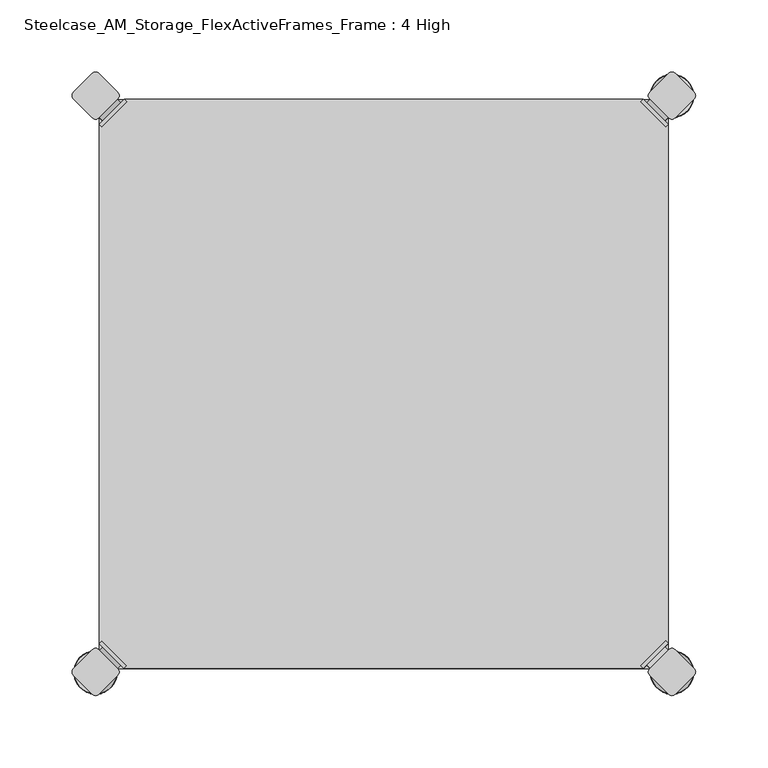
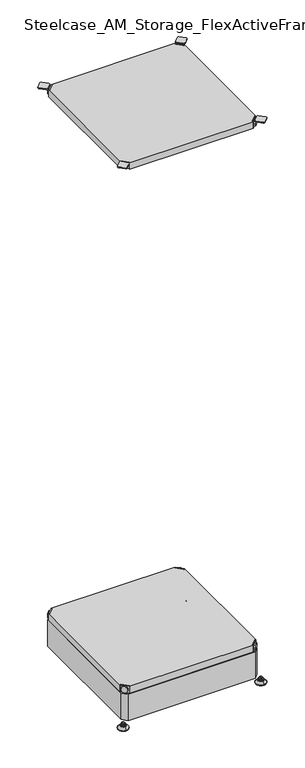
"""IFC4 building model written with IfcOpenShell, lengths in millimetres: furniture geometry, Steelcase_AM_Storage_FlexActiveFrames_Frame : 4 High."""

from ifc_helpers import new_model, si_unit, point, frame, frame_2d, origin, place, context, project, spatial, polyline, circle_curve, ellipse_curve, trimmed, segment, composite_curve, outline, extrude, source, transform, mapped, element, save
from ifc_brep_helpers import plane_surface, cylinder_surface, revolved_surface, advanced_brep


def steelcase_am_storage_flexactiveframes_frame_4_high_91f881de(model_context):
    return source(origin(), model_context, "Body", "SolidModel", [
        advanced_brep(
        [(397.51, -380.2870969, 1725.93), (395.7139488, -378.4910456, 1725.93), (378.4910456, -395.7139488, 1725.93), (380.2870969, -397.51, 1725.93), (380.2870969, -397.51, 1704.594), (397.51, -380.2870969, 1704.594), (395.1847277, -382.6123691, 1715.77), (382.6123691, -395.1847277, 1715.77), (369.7579478, -352.5350447, 1705.61), (352.5350447, -369.7579478, 1705.61), (378.4910456, -395.7139488, 1705.61), (395.7139488, -378.4910456, 1705.61), (369.7579478, -352.5350447, 1704.594), (352.5350447, -369.7579478, 1704.594), (384.9272487, -397.4996073, 1715.77), (397.4996073, -384.9272487, 1715.77)],
        [
            (0, 1),
            (1, 2),
            (2, 3),
            (3, 0),
            (3, 4),
            (4, 5),
            (5, 0),
            (6, 7, circle_curve(frame((388.8985484, -388.8985484, 1715.77), z_axis=(-0.7071067811865446, 0.7071067811865505, 0.0), x_axis=(0.7071067811865505, 0.7071067811865446, 0.0)), 8.89)),
            (7, 6, circle_curve(frame((388.8985484, -388.8985484, 1715.77), z_axis=(-0.7071067811865446, 0.7071067811865505, 0.0), x_axis=(0.7071067811865505, 0.7071067811865446, 0.0)), 8.89)),
            (8, 9, circle_curve(frame((361.1464963, -361.1464963, 1705.61), z_axis=(0.0, 0.0, 1.0), x_axis=(-1.0, 0.0, 0.0)), 12.1784316)),
            (9, 10),
            (10, 11),
            (11, 8),
            (12, 5),
            (4, 13),
            (13, 12, circle_curve(frame((361.1464963, -361.1464963, 1704.594), z_axis=(0.0, 0.0, -1.0), x_axis=(-1.0, 0.0, 0.0)), 12.1784316)),
            (14, 15, circle_curve(frame((391.213428, -391.213428, 1715.77), z_axis=(0.7071067811865446, -0.7071067811865505, 0.0), x_axis=(0.7071067811865505, 0.7071067811865446, 0.0)), 8.89)),
            (15, 14, circle_curve(frame((391.213428, -391.213428, 1715.77), z_axis=(0.7071067811865446, -0.7071067811865505, 0.0), x_axis=(0.7071067811865505, 0.7071067811865446, 0.0)), 8.89)),
            (14, 7),
            (6, 15),
            (1, 11),
            (10, 2),
            (8, 12),
            (13, 9),
        ],
        [
            plane_surface(frame((419.7079872, -402.485084, 1725.93), z_axis=(0.0, 0.0, 1.0000000000000002), x_axis=(-0.7071067811865436, 0.7071067811865516, 0.0))),
            plane_surface(frame((380.2870969, -397.51, 1725.93), z_axis=(0.7071067811865447, -0.7071067811865503, 0.0), x_axis=(0.0, 0.0, -1.0))),
            plane_surface(frame((348.9680647, -361.1464963, 1705.61), z_axis=(0.0, 0.0, 1.0), x_axis=(0.0, -1.0, 0.0))),
            plane_surface(frame((348.9680647, -361.1464963, 1704.594), z_axis=(0.0, 0.0, -1.0), x_axis=(0.0, 1.0, 0.0))),
            plane_surface(frame((397.4996073, -384.9272487, 1715.77), z_axis=(0.7071067811865446, -0.7071067811865505, 0.0), x_axis=(0.0, 0.0, 1.0))),
            cylinder_surface(frame((388.8985484, -388.8985484, 1715.77), z_axis=(0.7071067811865446, -0.7071067811865505, 0.0), x_axis=(0.7071067811865505, 0.7071067811865446, 0.0)), 8.89),
            plane_surface(frame((395.7139488, -378.4910456, 1725.93), z_axis=(-0.7071067811865447, 0.7071067811865503, 0.0), x_axis=(0.0, 0.0, -1.0))),
            cylinder_surface(frame((361.1464963, -361.1464963, 1704.594), z_axis=(0.0, 0.0, 1.0), x_axis=(-1.0, 0.0, 0.0)), 12.1784316),
            plane_surface(frame((397.51, -380.2870969, 1725.93), z_axis=(0.7071067811865516, 0.7071067811865436, 0.0), x_axis=(0.0, 0.0, -1.0))),
            plane_surface(frame((378.4910456, -395.7139488, 1725.93), z_axis=(-0.7071067811865513, -0.7071067811865437, 0.0), x_axis=(0.0, 0.0, -1.0))),
        ],
        [
            (0, [[1, 2, 3, 4]]),
            (1, [[-4, 5, 6, 7], [8, 9]]),
            (2, [[10, 11, 12, 13]]),
            (3, [[14, -6, 15, 16]]),
            (4, [[17, 18]]),
            (5, [[-17, 19, -8, 20]]),
            (5, [[-18, -20, -9, -19]]),
            (6, [[-2, 21, -12, 22]]),
            (7, [[-10, 23, -16, 24]]),
            (8, [[-1, -7, -14, -23, -13, -21]]),
            (9, [[-3, -22, -11, -24, -15, -5]]),
        ],
    ),
        advanced_brep(
        [(397.51, -19.7629031, 1725.93), (380.2870969, -2.54, 1725.93), (378.4910456, -4.3360512, 1725.93), (395.7139488, -21.5589544, 1725.93), (397.51, -19.7629031, 1704.594), (380.2870969, -2.54, 1704.594), (395.1847277, -17.4376309, 1715.77), (382.6123691, -4.8652723, 1715.77), (369.7579478, -47.5149553, 1705.61), (395.7139488, -21.5589544, 1705.61), (378.4910456, -4.3360512, 1705.61), (352.5350447, -30.2920522, 1705.61), (369.7579478, -47.5149553, 1704.594), (352.5350447, -30.2920522, 1704.594), (384.9272487, -2.5503927, 1715.77), (397.4996073, -15.1227513, 1715.77)],
        [
            (0, 1),
            (1, 2),
            (2, 3),
            (3, 0),
            (0, 4),
            (4, 5),
            (5, 1),
            (6, 7, circle_curve(frame((388.8985484, -11.1514516, 1715.77), z_axis=(-0.7071067811865469, -0.7071067811865481, 0.0), x_axis=(0.7071067811865481, -0.7071067811865469, 0.0)), 8.89)),
            (7, 6, circle_curve(frame((388.8985484, -11.1514516, 1715.77), z_axis=(-0.7071067811865469, -0.7071067811865481, 0.0), x_axis=(0.7071067811865481, -0.7071067811865469, 0.0)), 8.89)),
            (8, 9),
            (9, 10),
            (10, 11),
            (11, 8, circle_curve(frame((361.1464963, -38.9035037, 1705.61), z_axis=(0.0, 0.0, 1.0), x_axis=(-1.0, 0.0, 0.0)), 12.1784316)),
            (12, 13, circle_curve(frame((361.1464963, -38.9035037, 1704.594), z_axis=(0.0, 0.0, -1.0), x_axis=(-1.0, 0.0, 0.0)), 12.1784316)),
            (13, 5),
            (4, 12),
            (14, 15, circle_curve(frame((391.213428, -8.836572, 1715.77), z_axis=(0.7071067811865469, 0.7071067811865481, 0.0), x_axis=(0.7071067811865481, -0.7071067811865469, 0.0)), 8.89)),
            (15, 14, circle_curve(frame((391.213428, -8.836572, 1715.77), z_axis=(0.7071067811865469, 0.7071067811865481, 0.0), x_axis=(0.7071067811865481, -0.7071067811865469, 0.0)), 8.89)),
            (15, 6),
            (7, 14),
            (2, 10),
            (9, 3),
            (11, 13),
            (12, 8),
        ],
        [
            plane_surface(frame((419.7079872, 2.435084, 1725.93), z_axis=(0.0, 0.0, 1.0000000000000002), x_axis=(-0.7071067811865459, -0.7071067811865492, 0.0))),
            plane_surface(frame((380.2870969, -2.54, 1725.93), z_axis=(0.707106781186547, 0.707106781186548, 0.0), x_axis=(0.0, 0.0, -1.0))),
            plane_surface(frame((348.9680647, -38.9035037, 1705.61), z_axis=(0.0, 0.0, 1.0), x_axis=(0.0, 1.0, 0.0))),
            plane_surface(frame((348.9680647, -38.9035037, 1704.594), z_axis=(0.0, 0.0, -1.0), x_axis=(0.0, -1.0, 0.0))),
            plane_surface(frame((397.4996073, -15.1227513, 1715.77), z_axis=(0.7071067811865469, 0.7071067811865481, 0.0), x_axis=(0.0, 0.0, 1.0))),
            cylinder_surface(frame((388.8985484, -11.1514516, 1715.77), z_axis=(0.7071067811865469, 0.7071067811865481, 0.0), x_axis=(0.7071067811865481, -0.7071067811865469, 0.0)), 8.89),
            plane_surface(frame((395.7139488, -21.5589544, 1725.93), z_axis=(-0.707106781186547, -0.707106781186548, 0.0), x_axis=(0.0, 0.0, -1.0))),
            cylinder_surface(frame((361.1464963, -38.9035037, 1704.594), z_axis=(0.0, 0.0, 1.0), x_axis=(-1.0, 0.0, 0.0)), 12.1784316),
            plane_surface(frame((397.51, -19.7629031, 1725.93), z_axis=(0.7071067811865492, -0.7071067811865459, 0.0), x_axis=(0.0, 0.0, -1.0))),
            plane_surface(frame((378.4910456, -4.3360512, 1725.93), z_axis=(-0.707106781186549, 0.707106781186546, 0.0), x_axis=(0.0, 0.0, -1.0))),
        ],
        [
            (0, [[1, 2, 3, 4]]),
            (1, [[5, 6, 7, -1], [8, 9]]),
            (2, [[10, 11, 12, 13]]),
            (3, [[14, 15, -6, 16]]),
            (4, [[17, 18]]),
            (5, [[19, -9, 20, -18]]),
            (5, [[-20, -8, -19, -17]]),
            (6, [[21, -11, 22, -3]]),
            (7, [[23, -14, 24, -13]]),
            (8, [[-22, -10, -24, -16, -5, -4]]),
            (9, [[-7, -15, -23, -12, -21, -2]]),
        ],
    ),
        advanced_brep(
        [(2.54, -19.7629031, 1725.93), (4.3360512, -21.5589544, 1725.93), (21.5589544, -4.3360512, 1725.93), (19.7629031, -2.54, 1725.93), (19.7629031, -2.54, 1704.594), (2.54, -19.7629031, 1704.594), (4.8652723, -17.4376309, 1715.77), (17.4376309, -4.8652723, 1715.77), (30.2920522, -47.5149553, 1705.61), (47.5149553, -30.2920522, 1705.61), (21.5589544, -4.3360512, 1705.61), (4.3360512, -21.5589544, 1705.61), (30.2920522, -47.5149553, 1704.594), (47.5149553, -30.2920522, 1704.594), (15.1227513, -2.5503927, 1715.77), (2.5503927, -15.1227513, 1715.77)],
        [
            (0, 1),
            (1, 2),
            (2, 3),
            (3, 0),
            (3, 4),
            (4, 5),
            (5, 0),
            (6, 7, circle_curve(frame((11.1514516, -11.1514516, 1715.77), z_axis=(0.7071067811865469, -0.7071067811865481, 0.0), x_axis=(-0.7071067811865481, -0.7071067811865469, 0.0)), 8.89)),
            (7, 6, circle_curve(frame((11.1514516, -11.1514516, 1715.77), z_axis=(0.7071067811865469, -0.7071067811865481, 0.0), x_axis=(-0.7071067811865481, -0.7071067811865469, 0.0)), 8.89)),
            (8, 9, circle_curve(frame((38.9035037, -38.9035037, 1705.61), z_axis=(0.0, 0.0, 1.0), x_axis=(1.0, 0.0, 0.0)), 12.1784316)),
            (9, 10),
            (10, 11),
            (11, 8),
            (12, 5),
            (4, 13),
            (13, 12, circle_curve(frame((38.9035037, -38.9035037, 1704.594), z_axis=(0.0, 0.0, -1.0), x_axis=(1.0, 0.0, 0.0)), 12.1784316)),
            (14, 15, circle_curve(frame((8.836572, -8.836572, 1715.77), z_axis=(-0.7071067811865469, 0.7071067811865481, 0.0), x_axis=(-0.7071067811865481, -0.7071067811865469, 0.0)), 8.89)),
            (15, 14, circle_curve(frame((8.836572, -8.836572, 1715.77), z_axis=(-0.7071067811865469, 0.7071067811865481, 0.0), x_axis=(-0.7071067811865481, -0.7071067811865469, 0.0)), 8.89)),
            (14, 7),
            (6, 15),
            (1, 11),
            (10, 2),
            (8, 12),
            (13, 9),
        ],
        [
            plane_surface(frame((-19.6579872, 2.435084, 1725.93), z_axis=(0.0, 0.0, 1.0000000000000002), x_axis=(0.7071067811865459, -0.7071067811865492, 0.0))),
            plane_surface(frame((19.7629031, -2.54, 1725.93), z_axis=(-0.707106781186547, 0.707106781186548, 0.0), x_axis=(0.0, 0.0, -1.0))),
            plane_surface(frame((51.0819353, -38.9035037, 1705.61), z_axis=(0.0, 0.0, 1.0), x_axis=(0.0, 1.0, 0.0))),
            plane_surface(frame((51.0819353, -38.9035037, 1704.594), z_axis=(0.0, 0.0, -1.0), x_axis=(0.0, -1.0, 0.0))),
            plane_surface(frame((2.5503927, -15.1227513, 1715.77), z_axis=(-0.7071067811865469, 0.7071067811865481, 0.0), x_axis=(0.0, 0.0, 1.0))),
            cylinder_surface(frame((11.1514516, -11.1514516, 1715.77), z_axis=(-0.7071067811865469, 0.7071067811865481, 0.0), x_axis=(-0.7071067811865481, -0.7071067811865469, 0.0)), 8.89),
            plane_surface(frame((4.3360512, -21.5589544, 1725.93), z_axis=(0.707106781186547, -0.707106781186548, 0.0), x_axis=(0.0, 0.0, -1.0))),
            cylinder_surface(frame((38.9035037, -38.9035037, 1704.594), z_axis=(0.0, 0.0, 1.0), x_axis=(1.0, 0.0, 0.0)), 12.1784316),
            plane_surface(frame((2.54, -19.7629031, 1725.93), z_axis=(-0.7071067811865492, -0.7071067811865459, 0.0), x_axis=(0.0, 0.0, -1.0))),
            plane_surface(frame((21.5589544, -4.3360512, 1725.93), z_axis=(0.707106781186549, 0.707106781186546, 0.0), x_axis=(0.0, 0.0, -1.0))),
        ],
        [
            (0, [[1, 2, 3, 4]]),
            (1, [[-4, 5, 6, 7], [8, 9]]),
            (2, [[10, 11, 12, 13]]),
            (3, [[14, -6, 15, 16]]),
            (4, [[17, 18]]),
            (5, [[-17, 19, -8, 20]]),
            (5, [[-18, -20, -9, -19]]),
            (6, [[-2, 21, -12, 22]]),
            (7, [[-10, 23, -16, 24]]),
            (8, [[-1, -7, -14, -23, -13, -21]]),
            (9, [[-3, -22, -11, -24, -15, -5]]),
        ],
    ),
        extrude(outline(polyline([(19.7629031, -2.54), (380.2870969, -2.54), (378.4910456, -4.3360512), (395.7139488, -21.5589544), (397.51, -19.7629031), (397.51, -380.2870969), (395.7139488, -378.4910456), (378.4910456, -395.7139488), (380.2870969, -397.51), (19.7629031, -397.51), (21.5589544, -395.7139488), (4.3360512, -378.4910456), (2.54, -380.2870969), (2.54, -19.7629031), (4.3360512, -21.5589544), (21.5589544, -4.3360512), (19.7629031, -2.54)])), frame((0.0, 0.0, 1705.61), z_axis=(0.0, 0.0, 1.0), x_axis=(1.0, 0.0, 0.0)), (0.0, 0.0, 1.0), 20.32),
        advanced_brep(
        [(2.54, -380.2870969, 118.9736), (19.7629031, -397.51, 118.9736), (21.5589544, -395.7139488, 118.9736), (4.3360512, -378.4910456, 118.9736), (2.54, -380.2870969, 97.6376), (19.7629031, -397.51, 97.6376), (4.8652723, -382.6123691, 108.8136), (17.4376309, -395.1847277, 108.8136), (30.2920522, -352.5350447, 98.6536), (4.3360512, -378.4910456, 98.6536), (21.5589544, -395.7139488, 98.6536), (47.5149553, -369.7579478, 98.6536), (30.2920522, -352.5350447, 97.6376), (47.5149553, -369.7579478, 97.6376), (15.1227513, -397.4996073, 108.8136), (2.5503927, -384.9272487, 108.8136)],
        [
            (0, 1),
            (1, 2),
            (2, 3),
            (3, 0),
            (0, 4),
            (4, 5),
            (5, 1),
            (6, 7, circle_curve(frame((11.1514516, -388.8985484, 108.8136), z_axis=(0.7071067811865446, 0.7071067811865505, 0.0), x_axis=(-0.7071067811865505, 0.7071067811865446, 0.0)), 8.89)),
            (7, 6, circle_curve(frame((11.1514516, -388.8985484, 108.8136), z_axis=(0.7071067811865446, 0.7071067811865505, 0.0), x_axis=(-0.7071067811865505, 0.7071067811865446, 0.0)), 8.89)),
            (8, 9),
            (9, 10),
            (10, 11),
            (11, 8, circle_curve(frame((38.9035037, -361.1464963, 98.6536), z_axis=(0.0, 0.0, 1.0), x_axis=(1.0, 0.0, 0.0)), 12.1784316)),
            (12, 13, circle_curve(frame((38.9035037, -361.1464963, 97.6376), z_axis=(0.0, 0.0, -1.0), x_axis=(1.0, 0.0, 0.0)), 12.1784316)),
            (13, 5),
            (4, 12),
            (14, 15, circle_curve(frame((8.836572, -391.213428, 108.8136), z_axis=(-0.7071067811865446, -0.7071067811865505, 0.0), x_axis=(-0.7071067811865505, 0.7071067811865446, 0.0)), 8.89)),
            (15, 14, circle_curve(frame((8.836572, -391.213428, 108.8136), z_axis=(-0.7071067811865446, -0.7071067811865505, 0.0), x_axis=(-0.7071067811865505, 0.7071067811865446, 0.0)), 8.89)),
            (15, 6),
            (7, 14),
            (2, 10),
            (9, 3),
            (11, 13),
            (12, 8),
        ],
        [
            plane_surface(frame((-19.6579872, -402.485084, 118.9736), z_axis=(0.0, 0.0, 1.0000000000000002), x_axis=(0.7071067811865436, 0.7071067811865516, 0.0))),
            plane_surface(frame((19.7629031, -397.51, 118.9736), z_axis=(-0.7071067811865447, -0.7071067811865503, 0.0), x_axis=(0.0, 0.0, -1.0))),
            plane_surface(frame((51.0819353, -361.1464963, 98.6536), z_axis=(0.0, 0.0, 1.0), x_axis=(0.0, -1.0, 0.0))),
            plane_surface(frame((51.0819353, -361.1464963, 97.6376), z_axis=(0.0, 0.0, -1.0), x_axis=(0.0, 1.0, 0.0))),
            plane_surface(frame((2.5503927, -384.9272487, 108.8136), z_axis=(-0.7071067811865446, -0.7071067811865505, 0.0), x_axis=(0.0, 0.0, 1.0))),
            cylinder_surface(frame((11.1514516, -388.8985484, 108.8136), z_axis=(-0.7071067811865446, -0.7071067811865505, 0.0), x_axis=(-0.7071067811865505, 0.7071067811865446, 0.0)), 8.89),
            plane_surface(frame((4.3360512, -378.4910456, 118.9736), z_axis=(0.7071067811865447, 0.7071067811865503, 0.0), x_axis=(0.0, 0.0, -1.0))),
            cylinder_surface(frame((38.9035037, -361.1464963, 97.6376), z_axis=(0.0, 0.0, 1.0), x_axis=(1.0, 0.0, 0.0)), 12.1784316),
            plane_surface(frame((2.54, -380.2870969, 118.9736), z_axis=(-0.7071067811865516, 0.7071067811865436, 0.0), x_axis=(0.0, 0.0, -1.0))),
            plane_surface(frame((21.5589544, -395.7139488, 118.9736), z_axis=(0.7071067811865513, -0.7071067811865437, 0.0), x_axis=(0.0, 0.0, -1.0))),
        ],
        [
            (0, [[1, 2, 3, 4]]),
            (1, [[5, 6, 7, -1], [8, 9]]),
            (2, [[10, 11, 12, 13]]),
            (3, [[14, 15, -6, 16]]),
            (4, [[17, 18]]),
            (5, [[19, -9, 20, -18]]),
            (5, [[-20, -8, -19, -17]]),
            (6, [[21, -11, 22, -3]]),
            (7, [[23, -14, 24, -13]]),
            (8, [[-22, -10, -24, -16, -5, -4]]),
            (9, [[-7, -15, -23, -12, -21, -2]]),
        ],
    ),
        advanced_brep(
        [(397.51, -380.2870969, 118.9736), (395.7139488, -378.4910456, 118.9736), (378.4910456, -395.7139488, 118.9736), (380.2870969, -397.51, 118.9736), (380.2870969, -397.51, 97.6376), (397.51, -380.2870969, 97.6376), (395.1847277, -382.6123691, 108.8136), (382.6123691, -395.1847277, 108.8136), (369.7579478, -352.5350447, 98.6536), (352.5350447, -369.7579478, 98.6536), (378.4910456, -395.7139488, 98.6536), (395.7139488, -378.4910456, 98.6536), (369.7579478, -352.5350447, 97.6376), (352.5350447, -369.7579478, 97.6376), (384.9272487, -397.4996073, 108.8136), (397.4996073, -384.9272487, 108.8136)],
        [
            (0, 1),
            (1, 2),
            (2, 3),
            (3, 0),
            (3, 4),
            (4, 5),
            (5, 0),
            (6, 7, circle_curve(frame((388.8985484, -388.8985484, 108.8136), z_axis=(-0.7071067811865446, 0.7071067811865505, 0.0), x_axis=(0.7071067811865505, 0.7071067811865446, 0.0)), 8.89)),
            (7, 6, circle_curve(frame((388.8985484, -388.8985484, 108.8136), z_axis=(-0.7071067811865446, 0.7071067811865505, 0.0), x_axis=(0.7071067811865505, 0.7071067811865446, 0.0)), 8.89)),
            (8, 9, circle_curve(frame((361.1464963, -361.1464963, 98.6536), z_axis=(0.0, 0.0, 1.0), x_axis=(-1.0, 0.0, 0.0)), 12.1784316)),
            (9, 10),
            (10, 11),
            (11, 8),
            (12, 5),
            (4, 13),
            (13, 12, circle_curve(frame((361.1464963, -361.1464963, 97.6376), z_axis=(0.0, 0.0, -1.0), x_axis=(-1.0, 0.0, 0.0)), 12.1784316)),
            (14, 15, circle_curve(frame((391.213428, -391.213428, 108.8136), z_axis=(0.7071067811865446, -0.7071067811865505, 0.0), x_axis=(0.7071067811865505, 0.7071067811865446, 0.0)), 8.89)),
            (15, 14, circle_curve(frame((391.213428, -391.213428, 108.8136), z_axis=(0.7071067811865446, -0.7071067811865505, 0.0), x_axis=(0.7071067811865505, 0.7071067811865446, 0.0)), 8.89)),
            (14, 7),
            (6, 15),
            (1, 11),
            (10, 2),
            (8, 12),
            (13, 9),
        ],
        [
            plane_surface(frame((419.7079872, -402.485084, 118.9736), z_axis=(0.0, 0.0, 1.0000000000000002), x_axis=(-0.7071067811865436, 0.7071067811865516, 0.0))),
            plane_surface(frame((380.2870969, -397.51, 118.9736), z_axis=(0.7071067811865447, -0.7071067811865503, 0.0), x_axis=(0.0, 0.0, -1.0))),
            plane_surface(frame((348.9680647, -361.1464963, 98.6536), z_axis=(0.0, 0.0, 1.0), x_axis=(0.0, -1.0, 0.0))),
            plane_surface(frame((348.9680647, -361.1464963, 97.6376), z_axis=(0.0, 0.0, -1.0), x_axis=(0.0, 1.0, 0.0))),
            plane_surface(frame((397.4996073, -384.9272487, 108.8136), z_axis=(0.7071067811865446, -0.7071067811865505, 0.0), x_axis=(0.0, 0.0, 1.0))),
            cylinder_surface(frame((388.8985484, -388.8985484, 108.8136), z_axis=(0.7071067811865446, -0.7071067811865505, 0.0), x_axis=(0.7071067811865505, 0.7071067811865446, 0.0)), 8.89),
            plane_surface(frame((395.7139488, -378.4910456, 118.9736), z_axis=(-0.7071067811865447, 0.7071067811865503, 0.0), x_axis=(0.0, 0.0, -1.0))),
            cylinder_surface(frame((361.1464963, -361.1464963, 97.6376), z_axis=(0.0, 0.0, 1.0), x_axis=(-1.0, 0.0, 0.0)), 12.1784316),
            plane_surface(frame((397.51, -380.2870969, 118.9736), z_axis=(0.7071067811865516, 0.7071067811865436, 0.0), x_axis=(0.0, 0.0, -1.0))),
            plane_surface(frame((378.4910456, -395.7139488, 118.9736), z_axis=(-0.7071067811865513, -0.7071067811865437, 0.0), x_axis=(0.0, 0.0, -1.0))),
        ],
        [
            (0, [[1, 2, 3, 4]]),
            (1, [[-4, 5, 6, 7], [8, 9]]),
            (2, [[10, 11, 12, 13]]),
            (3, [[14, -6, 15, 16]]),
            (4, [[17, 18]]),
            (5, [[-17, 19, -8, 20]]),
            (5, [[-18, -20, -9, -19]]),
            (6, [[-2, 21, -12, 22]]),
            (7, [[-10, 23, -16, 24]]),
            (8, [[-1, -7, -14, -23, -13, -21]]),
            (9, [[-3, -22, -11, -24, -15, -5]]),
        ],
    ),
        advanced_brep(
        [(397.51, -19.7629031, 118.9736), (380.2870969, -2.54, 118.9736), (378.4910456, -4.3360512, 118.9736), (395.7139488, -21.5589544, 118.9736), (397.51, -19.7629031, 97.6376), (380.2870969, -2.54, 97.6376), (395.1847277, -17.4376309, 108.8136), (382.6123691, -4.8652723, 108.8136), (369.7579478, -47.5149553, 98.6536), (395.7139488, -21.5589544, 98.6536), (378.4910456, -4.3360512, 98.6536), (352.5350447, -30.2920522, 98.6536), (369.7579478, -47.5149553, 97.6376), (352.5350447, -30.2920522, 97.6376), (384.9272487, -2.5503927, 108.8136), (397.4996073, -15.1227513, 108.8136)],
        [
            (0, 1),
            (1, 2),
            (2, 3),
            (3, 0),
            (0, 4),
            (4, 5),
            (5, 1),
            (6, 7, circle_curve(frame((388.8985484, -11.1514516, 108.8136), z_axis=(-0.7071067811865469, -0.7071067811865481, 0.0), x_axis=(0.7071067811865481, -0.7071067811865469, 0.0)), 8.89)),
            (7, 6, circle_curve(frame((388.8985484, -11.1514516, 108.8136), z_axis=(-0.7071067811865469, -0.7071067811865481, 0.0), x_axis=(0.7071067811865481, -0.7071067811865469, 0.0)), 8.89)),
            (8, 9),
            (9, 10),
            (10, 11),
            (11, 8, circle_curve(frame((361.1464963, -38.9035037, 98.6536), z_axis=(0.0, 0.0, 1.0), x_axis=(-1.0, 0.0, 0.0)), 12.1784316)),
            (12, 13, circle_curve(frame((361.1464963, -38.9035037, 97.6376), z_axis=(0.0, 0.0, -1.0), x_axis=(-1.0, 0.0, 0.0)), 12.1784316)),
            (13, 5),
            (4, 12),
            (14, 15, circle_curve(frame((391.213428, -8.836572, 108.8136), z_axis=(0.7071067811865469, 0.7071067811865481, 0.0), x_axis=(0.7071067811865481, -0.7071067811865469, 0.0)), 8.89)),
            (15, 14, circle_curve(frame((391.213428, -8.836572, 108.8136), z_axis=(0.7071067811865469, 0.7071067811865481, 0.0), x_axis=(0.7071067811865481, -0.7071067811865469, 0.0)), 8.89)),
            (15, 6),
            (7, 14),
            (2, 10),
            (9, 3),
            (11, 13),
            (12, 8),
        ],
        [
            plane_surface(frame((419.7079872, 2.435084, 118.9736), z_axis=(0.0, 0.0, 1.0000000000000002), x_axis=(-0.7071067811865459, -0.7071067811865492, 0.0))),
            plane_surface(frame((380.2870969, -2.54, 118.9736), z_axis=(0.707106781186547, 0.707106781186548, 0.0), x_axis=(0.0, 0.0, -1.0))),
            plane_surface(frame((348.9680647, -38.9035037, 98.6536), z_axis=(0.0, 0.0, 1.0), x_axis=(0.0, 1.0, 0.0))),
            plane_surface(frame((348.9680647, -38.9035037, 97.6376), z_axis=(0.0, 0.0, -1.0), x_axis=(0.0, -1.0, 0.0))),
            plane_surface(frame((397.4996073, -15.1227513, 108.8136), z_axis=(0.7071067811865469, 0.7071067811865481, 0.0), x_axis=(0.0, 0.0, 1.0))),
            cylinder_surface(frame((388.8985484, -11.1514516, 108.8136), z_axis=(0.7071067811865469, 0.7071067811865481, 0.0), x_axis=(0.7071067811865481, -0.7071067811865469, 0.0)), 8.89),
            plane_surface(frame((395.7139488, -21.5589544, 118.9736), z_axis=(-0.707106781186547, -0.707106781186548, 0.0), x_axis=(0.0, 0.0, -1.0))),
            cylinder_surface(frame((361.1464963, -38.9035037, 97.6376), z_axis=(0.0, 0.0, 1.0), x_axis=(-1.0, 0.0, 0.0)), 12.1784316),
            plane_surface(frame((397.51, -19.7629031, 118.9736), z_axis=(0.7071067811865492, -0.7071067811865459, 0.0), x_axis=(0.0, 0.0, -1.0))),
            plane_surface(frame((378.4910456, -4.3360512, 118.9736), z_axis=(-0.707106781186549, 0.707106781186546, 0.0), x_axis=(0.0, 0.0, -1.0))),
        ],
        [
            (0, [[1, 2, 3, 4]]),
            (1, [[5, 6, 7, -1], [8, 9]]),
            (2, [[10, 11, 12, 13]]),
            (3, [[14, 15, -6, 16]]),
            (4, [[17, 18]]),
            (5, [[19, -9, 20, -18]]),
            (5, [[-20, -8, -19, -17]]),
            (6, [[21, -11, 22, -3]]),
            (7, [[23, -14, 24, -13]]),
            (8, [[-22, -10, -24, -16, -5, -4]]),
            (9, [[-7, -15, -23, -12, -21, -2]]),
        ],
    ),
        advanced_brep(
        [(2.54, -19.7629031, 118.9736), (4.3360512, -21.5589544, 118.9736), (21.5589544, -4.3360512, 118.9736), (19.7629031, -2.54, 118.9736), (19.7629031, -2.54, 97.6376), (2.54, -19.7629031, 97.6376), (4.8652723, -17.4376309, 108.8136), (17.4376309, -4.8652723, 108.8136), (30.2920522, -47.5149553, 98.6536), (47.5149553, -30.2920522, 98.6536), (21.5589544, -4.3360512, 98.6536), (4.3360512, -21.5589544, 98.6536), (30.2920522, -47.5149553, 97.6376), (47.5149553, -30.2920522, 97.6376), (15.1227513, -2.5503927, 108.8136), (2.5503927, -15.1227513, 108.8136)],
        [
            (0, 1),
            (1, 2),
            (2, 3),
            (3, 0),
            (3, 4),
            (4, 5),
            (5, 0),
            (6, 7, circle_curve(frame((11.1514516, -11.1514516, 108.8136), z_axis=(0.7071067811865469, -0.7071067811865481, 0.0), x_axis=(-0.7071067811865481, -0.7071067811865469, 0.0)), 8.89)),
            (7, 6, circle_curve(frame((11.1514516, -11.1514516, 108.8136), z_axis=(0.7071067811865469, -0.7071067811865481, 0.0), x_axis=(-0.7071067811865481, -0.7071067811865469, 0.0)), 8.89)),
            (8, 9, circle_curve(frame((38.9035037, -38.9035037, 98.6536), z_axis=(0.0, 0.0, 1.0), x_axis=(1.0, 0.0, 0.0)), 12.1784316)),
            (9, 10),
            (10, 11),
            (11, 8),
            (12, 5),
            (4, 13),
            (13, 12, circle_curve(frame((38.9035037, -38.9035037, 97.6376), z_axis=(0.0, 0.0, -1.0), x_axis=(1.0, 0.0, 0.0)), 12.1784316)),
            (14, 15, circle_curve(frame((8.836572, -8.836572, 108.8136), z_axis=(-0.7071067811865469, 0.7071067811865481, 0.0), x_axis=(-0.7071067811865481, -0.7071067811865469, 0.0)), 8.89)),
            (15, 14, circle_curve(frame((8.836572, -8.836572, 108.8136), z_axis=(-0.7071067811865469, 0.7071067811865481, 0.0), x_axis=(-0.7071067811865481, -0.7071067811865469, 0.0)), 8.89)),
            (14, 7),
            (6, 15),
            (1, 11),
            (10, 2),
            (8, 12),
            (13, 9),
        ],
        [
            plane_surface(frame((-19.6579872, 2.435084, 118.9736), z_axis=(0.0, 0.0, 1.0000000000000002), x_axis=(0.7071067811865459, -0.7071067811865492, 0.0))),
            plane_surface(frame((19.7629031, -2.54, 118.9736), z_axis=(-0.707106781186547, 0.707106781186548, 0.0), x_axis=(0.0, 0.0, -1.0))),
            plane_surface(frame((51.0819353, -38.9035037, 98.6536), z_axis=(0.0, 0.0, 1.0), x_axis=(0.0, 1.0, 0.0))),
            plane_surface(frame((51.0819353, -38.9035037, 97.6376), z_axis=(0.0, 0.0, -1.0), x_axis=(0.0, -1.0, 0.0))),
            plane_surface(frame((2.5503927, -15.1227513, 108.8136), z_axis=(-0.7071067811865469, 0.7071067811865481, 0.0), x_axis=(0.0, 0.0, 1.0))),
            cylinder_surface(frame((11.1514516, -11.1514516, 108.8136), z_axis=(-0.7071067811865469, 0.7071067811865481, 0.0), x_axis=(-0.7071067811865481, -0.7071067811865469, 0.0)), 8.89),
            plane_surface(frame((4.3360512, -21.5589544, 118.9736), z_axis=(0.707106781186547, -0.707106781186548, 0.0), x_axis=(0.0, 0.0, -1.0))),
            cylinder_surface(frame((38.9035037, -38.9035037, 97.6376), z_axis=(0.0, 0.0, 1.0), x_axis=(1.0, 0.0, 0.0)), 12.1784316),
            plane_surface(frame((2.54, -19.7629031, 118.9736), z_axis=(-0.7071067811865492, -0.7071067811865459, 0.0), x_axis=(0.0, 0.0, -1.0))),
            plane_surface(frame((21.5589544, -4.3360512, 118.9736), z_axis=(0.707106781186549, 0.707106781186546, 0.0), x_axis=(0.0, 0.0, -1.0))),
        ],
        [
            (0, [[1, 2, 3, 4]]),
            (1, [[-4, 5, 6, 7], [8, 9]]),
            (2, [[10, 11, 12, 13]]),
            (3, [[14, -6, 15, 16]]),
            (4, [[17, 18]]),
            (5, [[-17, 19, -8, 20]]),
            (5, [[-18, -20, -9, -19]]),
            (6, [[-2, 21, -12, 22]]),
            (7, [[-10, 23, -16, 24]]),
            (8, [[-1, -7, -14, -23, -13, -21]]),
            (9, [[-3, -22, -11, -24, -15, -5]]),
        ],
    ),
        extrude(outline(polyline([(19.7629031, -2.54), (380.2870969, -2.54), (378.4910456, -4.3360512), (395.7139488, -21.5589544), (397.51, -19.7629031), (397.51, -380.2870969), (395.7139488, -378.4910456), (378.4910456, -395.7139488), (380.2870969, -397.51), (19.7629031, -397.51), (21.5589544, -395.7139488), (4.3360512, -378.4910456), (2.54, -380.2870969), (2.54, -19.7629031), (4.3360512, -21.5589544), (21.5589544, -4.3360512), (19.7629031, -2.54)])), frame((0.0, 0.0, 98.6536), z_axis=(0.0, 0.0, 1.0), x_axis=(1.0, 0.0, 0.0)), (0.0, 0.0, 1.0), 20.32),
        extrude(outline(composite_curve([segment(polyline([(-2.245064, -15.4326055), (-15.4326055, -2.245064)]), True, "CONTINUOUS"), segment(trimmed(circle_curve(frame_2d((-13.1875415, 0.0)), 3.175), [point((-15.4326055, -2.245064))], [point((-15.4326055, 2.245064))], False, "CARTESIAN"), True, "CONTINUOUS"), segment(polyline([(-15.4326055, 2.245064), (-2.245064, 15.4326055)]), True, "CONTINUOUS"), segment(trimmed(circle_curve(frame_2d((0.0, 13.1875415)), 3.175), [point((-2.245064, 15.4326055))], [point((2.245064, 15.4326055))], False, "CARTESIAN"), True, "CONTINUOUS"), segment(polyline([(2.245064, 15.4326055), (15.4326055, 2.245064)]), True, "CONTINUOUS"), segment(trimmed(circle_curve(frame_2d((13.1875415, 0.0)), 3.175), [point((15.4326055, 2.245064))], [point((15.4326055, -2.245064))], False, "CARTESIAN"), True, "CONTINUOUS"), segment(polyline([(15.4326055, -2.245064), (2.245064, -15.4326055)]), True, "CONTINUOUS"), segment(trimmed(circle_curve(frame_2d((0.0, -13.1875415)), 3.175), [point((2.245064, -15.4326055))], [point((-2.245064, -15.4326055))], False, "CARTESIAN"), True, "CONTINUOUS")], self_intersect=False)), frame((0.0, 0.0, 1725.93), z_axis=(0.0, 0.0, 1.0), x_axis=(1.0, 0.0, 0.0)), (0.0, 0.0, 1.0), 2.032),
        extrude(outline(composite_curve([segment(trimmed(circle_curve(frame_2d((400.05, -13.1875415)), 3.175), [point((402.295064, -15.4326055))], [point((397.804936, -15.4326055))], False, "CARTESIAN"), True, "CONTINUOUS"), segment(polyline([(397.804936, -15.4326055), (384.6173945, -2.245064)]), True, "CONTINUOUS"), segment(trimmed(circle_curve(frame_2d((386.8624585, 0.0)), 3.175), [point((384.6173945, -2.245064))], [point((384.6173945, 2.245064))], False, "CARTESIAN"), True, "CONTINUOUS"), segment(polyline([(384.6173945, 2.245064), (397.804936, 15.4326055)]), True, "CONTINUOUS"), segment(trimmed(circle_curve(frame_2d((400.05, 13.1875415)), 3.175), [point((397.804936, 15.4326055))], [point((402.295064, 15.4326055))], False, "CARTESIAN"), True, "CONTINUOUS"), segment(polyline([(402.295064, 15.4326055), (415.4826055, 2.245064)]), True, "CONTINUOUS"), segment(trimmed(circle_curve(frame_2d((413.2375415, 0.0)), 3.175), [point((415.4826055, 2.245064))], [point((415.4826055, -2.245064))], False, "CARTESIAN"), True, "CONTINUOUS"), segment(polyline([(415.4826055, -2.245064), (402.295064, -15.4326055)]), True, "CONTINUOUS")], self_intersect=False)), frame((0.0, 0.0, 1725.93), z_axis=(0.0, 0.0, 1.0), x_axis=(1.0, 0.0, 0.0)), (0.0, 0.0, 1.0), 2.032),
        extrude(outline(composite_curve([segment(polyline([(402.295064, -384.6173945), (415.4826055, -397.804936)]), True, "CONTINUOUS"), segment(trimmed(circle_curve(frame_2d((413.2375415, -400.05)), 3.175), [point((415.4826055, -397.804936))], [point((415.4826055, -402.295064))], False, "CARTESIAN"), True, "CONTINUOUS"), segment(polyline([(415.4826055, -402.295064), (402.295064, -415.4826055)]), True, "CONTINUOUS"), segment(trimmed(circle_curve(frame_2d((400.05, -413.2375415)), 3.175), [point((402.295064, -415.4826055))], [point((397.804936, -415.4826055))], False, "CARTESIAN"), True, "CONTINUOUS"), segment(polyline([(397.804936, -415.4826055), (384.6173945, -402.295064)]), True, "CONTINUOUS"), segment(trimmed(circle_curve(frame_2d((386.8624585, -400.05)), 3.175), [point((384.6173945, -402.295064))], [point((384.6173945, -397.804936))], False, "CARTESIAN"), True, "CONTINUOUS"), segment(polyline([(384.6173945, -397.804936), (397.804936, -384.6173945)]), True, "CONTINUOUS"), segment(trimmed(circle_curve(frame_2d((400.05, -386.8624585)), 3.175), [point((397.804936, -384.6173945))], [point((402.295064, -384.6173945))], False, "CARTESIAN"), True, "CONTINUOUS")], self_intersect=False)), frame((0.0, 0.0, 1725.93), z_axis=(0.0, 0.0, 1.0), x_axis=(1.0, 0.0, 0.0)), (0.0, 0.0, 1.0), 2.032),
        extrude(outline(composite_curve([segment(trimmed(circle_curve(frame_2d((0.0, -386.8624585)), 3.175), [point((-2.245064, -384.6173945))], [point((2.245064, -384.6173945))], False, "CARTESIAN"), True, "CONTINUOUS"), segment(polyline([(2.245064, -384.6173945), (15.4326055, -397.804936)]), True, "CONTINUOUS"), segment(trimmed(circle_curve(frame_2d((13.1875415, -400.05)), 3.175), [point((15.4326055, -397.804936))], [point((15.4326055, -402.295064))], False, "CARTESIAN"), True, "CONTINUOUS"), segment(polyline([(15.4326055, -402.295064), (2.245064, -415.4826055)]), True, "CONTINUOUS"), segment(trimmed(circle_curve(frame_2d((0.0, -413.2375415)), 3.175), [point((2.245064, -415.4826055))], [point((-2.245064, -415.4826055))], False, "CARTESIAN"), True, "CONTINUOUS"), segment(polyline([(-2.245064, -415.4826055), (-15.4326055, -402.295064)]), True, "CONTINUOUS"), segment(trimmed(circle_curve(frame_2d((-13.1875415, -400.05)), 3.175), [point((-15.4326055, -402.295064))], [point((-15.4326055, -397.804936))], False, "CARTESIAN"), True, "CONTINUOUS"), segment(polyline([(-15.4326055, -397.804936), (-2.245064, -384.6173945)]), True, "CONTINUOUS")], self_intersect=False)), frame((0.0, 0.0, 1725.93), z_axis=(0.0, 0.0, 1.0), x_axis=(1.0, 0.0, 0.0)), (0.0, 0.0, 1.0), 2.032),
        extrude(outline(polyline([(2.54, -384.9123305), (2.54, -15.1376695), (15.1376695, -2.54), (384.9123305, -2.54), (397.51, -15.1376695), (397.51, -384.9123305), (384.9123305, -397.51), (15.1376695, -397.51), (2.54, -384.9123305)]), holes=[polyline([(12.7, -15.748), (12.7, -387.35), (387.35, -387.35), (387.35, -15.748), (12.7, -15.748)])]), frame((0.0, 0.0, 15.9766), z_axis=(0.0, 0.0, 1.0), x_axis=(1.0, 0.0, 0.0)), (0.0, 0.0, 1.0), 81.28),
        advanced_brep(
        [(400.05, 3.999659, 15.9766), (400.05, -3.999659, 15.9766), (400.05, 0.0, 15.9766), (400.05, 3.999659, 12.6000054), (400.05, -3.999659, 12.6000054), (400.05, 5.8601455, 12.6000054), (400.05, -5.8601455, 12.6000054), (400.05, 6.4951462, 11.9650074), (400.05, -6.4951462, 11.9650074), (400.05, 6.4951462, 9.0000124), (400.05, -6.4951462, 9.0000124), (400.05, 8.7421976, 9.0000124), (400.05, -8.7421976, 9.0000124), (400.05, 14.7060077, 2.3275608), (400.05, -14.7060077, 2.3275608), (400.05, 13.664601, 0.0), (400.05, -13.664601, 0.0), (400.05, 0.0, 0.0)],
        [
            (0, 1, circle_curve(frame((400.05, 0.0, 15.9766), z_axis=(0.0, 0.0, 1.0), x_axis=(0.0, -1.0, 0.0)), 3.999659)),
            (1, 2),
            (2, 0),
            (1, 0, circle_curve(frame((400.05, 0.0, 15.9766), z_axis=(0.0, 0.0, 1.0), x_axis=(0.0, -1.0, 0.0)), 3.999659)),
            (3, 4, circle_curve(frame((400.05, 0.0, 12.6000054), z_axis=(0.0, 0.0, 1.0), x_axis=(0.0, -1.0, 0.0)), 3.999659)),
            (4, 1),
            (0, 3),
            (4, 3, circle_curve(frame((400.05, 0.0, 12.6000054), z_axis=(0.0, 0.0, 1.0), x_axis=(0.0, -1.0, 0.0)), 3.999659)),
            (5, 6, circle_curve(frame((400.05, 0.0, 12.6000054), z_axis=(0.0, 0.0, 1.0), x_axis=(0.0, -1.0, 0.0)), 5.8601455)),
            (6, 4),
            (3, 5),
            (6, 5, circle_curve(frame((400.05, 0.0, 12.6000054), z_axis=(0.0, 0.0, 1.0), x_axis=(0.0, -1.0, 0.0)), 5.8601455)),
            (7, 8, circle_curve(frame((400.05, 0.0, 11.9650074), z_axis=(0.0, 0.0, 1.0), x_axis=(0.0, -1.0, 0.0)), 6.4951462)),
            (8, 6, circle_curve(frame((400.05, -5.8601462, 11.9650074), z_axis=(-1.0, 0.0, 0.0), x_axis=(0.0, -1.0, 0.0)), 0.635)),
            (5, 7, circle_curve(frame((400.05, 5.8601462, 11.9650074), z_axis=(-1.0, 0.0, 0.0), x_axis=(0.0, 1.0, 0.0)), 0.635)),
            (8, 7, circle_curve(frame((400.05, 0.0, 11.9650074), z_axis=(0.0, 0.0, 1.0), x_axis=(0.0, -1.0, 0.0)), 6.4951462)),
            (9, 10, circle_curve(frame((400.05, 0.0, 9.0000124), z_axis=(0.0, 0.0, 1.0), x_axis=(0.0, -1.0, 0.0)), 6.4951462)),
            (10, 8),
            (7, 9),
            (10, 9, circle_curve(frame((400.05, 0.0, 9.0000124), z_axis=(0.0, 0.0, 1.0), x_axis=(0.0, -1.0, 0.0)), 6.4951462)),
            (11, 12, circle_curve(frame((400.05, 0.0, 9.0000124), z_axis=(0.0, 0.0, 1.0), x_axis=(0.0, -1.0, 0.0)), 8.7421976)),
            (12, 10),
            (9, 11),
            (12, 11, circle_curve(frame((400.05, 0.0, 9.0000124), z_axis=(0.0, 0.0, 1.0), x_axis=(0.0, -1.0, 0.0)), 8.7421976)),
            (13, 14, circle_curve(frame((400.05, 0.0, 2.3275608), z_axis=(0.0, 0.0, 1.0), x_axis=(0.0, -1.0, 0.0)), 14.7060077)),
            (14, 12),
            (11, 13),
            (14, 13, circle_curve(frame((400.05, 0.0, 2.3275608), z_axis=(0.0, 0.0, 1.0), x_axis=(0.0, -1.0, 0.0)), 14.7060077)),
            (15, 16, circle_curve(frame((400.05, 0.0, 0.0), z_axis=(0.0, 0.0, 1.0), x_axis=(0.0, -1.0, 0.0)), 13.664601)),
            (16, 14, circle_curve(frame((400.05, -13.664601, 1.3967556), z_axis=(-1.0, 0.0, 0.0), x_axis=(0.0, -1.0, 0.0)), 1.3967556)),
            (13, 15, circle_curve(frame((400.05, 13.664601, 1.3967556), z_axis=(-1.0, 0.0, 0.0), x_axis=(0.0, 1.0, 0.0)), 1.3967556)),
            (16, 15, circle_curve(frame((400.05, 0.0, 0.0), z_axis=(0.0, 0.0, 1.0), x_axis=(0.0, -1.0, 0.0)), 13.664601)),
            (17, 16),
            (15, 17),
        ],
        [
            plane_surface(frame((400.05, 0.0, 15.9766), z_axis=(0.0, 0.0, 1.0), x_axis=(0.0, -1.0, 0.0))),
            cylinder_surface(frame((400.05, 0.0, -4.132372), z_axis=(0.0, 0.0, -1.0), x_axis=(0.0, -1.0, 0.0)), 3.999659),
            plane_surface(frame((400.05, 0.0, 12.6000054), z_axis=(0.0, 0.0, 1.0), x_axis=(0.0, -1.0, 0.0))),
            revolved_surface(trimmed(ellipse_curve(frame((400.05, -5.8601462, 11.9650074), z_axis=(1.0, 0.0, 0.0), x_axis=(0.0, -1.0, 0.0)), 0.635, 0.635), [point((400.05, -5.8601455, 12.6000074))], [point((400.05, -6.4951462, 11.9650074))], True, "CARTESIAN"), (400.05, 0.0, -4.132372), (0.0, 0.0, -1.0)),
            cylinder_surface(frame((400.05, 0.0, -4.132372), z_axis=(0.0, 0.0, -1.0), x_axis=(0.0, -1.0, 0.0)), 6.4951462),
            plane_surface(frame((400.05, 0.0, 9.0000124), z_axis=(0.0, 0.0, 1.0), x_axis=(0.0, -1.0, 0.0))),
            revolved_surface(polyline([(400.05, -8.7421976, 9.0000124), (400.05, -14.7060077, 2.3275608)]), (400.05, 0.0, -4.132372), (0.0, 0.0, -1.0)),
            revolved_surface(trimmed(ellipse_curve(frame((400.05, -13.664601, 1.3967556), z_axis=(1.0, 0.0, 0.0), x_axis=(0.0, -1.0, 0.0)), 1.3967556, 1.3967556), [point((400.05, -14.7060077, 2.3275608))], [point((400.05, -13.664601, 0.0))], True, "CARTESIAN"), (400.05, 0.0, -4.132372), (0.0, 0.0, -1.0)),
            plane_surface(frame((400.05, 0.0, 0.0), z_axis=(0.0, 0.0, -1.0), x_axis=(0.0, -1.0, 0.0))),
        ],
        [
            (0, [[1, 2, 3]]),
            (0, [[4, -3, -2]]),
            (1, [[5, 6, -1, 7]]),
            (1, [[8, -7, -4, -6]]),
            (2, [[9, 10, -5, 11]]),
            (2, [[12, -11, -8, -10]]),
            (3, [[13, 14, -9, 15]]),
            (3, [[16, -15, -12, -14]]),
            (4, [[17, 18, -13, 19]]),
            (4, [[20, -19, -16, -18]]),
            (5, [[21, 22, -17, 23]]),
            (5, [[24, -23, -20, -22]]),
            (6, [[25, 26, -21, 27]]),
            (6, [[28, -27, -24, -26]]),
            (7, [[29, 30, -25, 31]]),
            (7, [[32, -31, -28, -30]]),
            (8, [[33, -29, 34]]),
            (8, [[-34, -32, -33]]),
        ],
    ),
        advanced_brep(
        [(400.05, -400.05, 15.9766), (400.05, -396.050341, 15.9766), (400.05, -404.049659, 15.9766), (400.05, -396.050341, 12.6000054), (400.05, -404.049659, 12.6000054), (400.05, -394.1898545, 12.6000074), (400.05, -405.9101455, 12.6000074), (400.05, -393.5548538, 11.9650074), (400.05, -406.5451462, 11.9650074), (400.05, -393.5548538, 9.0000124), (400.05, -406.5451462, 9.0000124), (400.05, -391.3078024, 9.0000124), (400.05, -408.7921976, 9.0000124), (400.05, -385.3439923, 2.3275608), (400.05, -414.7560077, 2.3275608), (400.05, -386.385399, 0.0), (400.05, -413.714601, 0.0), (400.05, -400.05, 0.0)],
        [
            (0, 1),
            (1, 2, circle_curve(frame((400.05, -400.05, 15.9766), z_axis=(0.0, 0.0, 1.0), x_axis=(0.0, 1.0, 0.0)), 3.999659)),
            (2, 0),
            (2, 1, circle_curve(frame((400.05, -400.05, 15.9766), z_axis=(0.0, 0.0, 1.0), x_axis=(0.0, 1.0, 0.0)), 3.999659)),
            (1, 3),
            (3, 4, circle_curve(frame((400.05, -400.05, 12.6000054), z_axis=(0.0, 0.0, 1.0), x_axis=(0.0, 1.0, 0.0)), 3.999659)),
            (4, 2),
            (4, 3, circle_curve(frame((400.05, -400.05, 12.6000054), z_axis=(0.0, 0.0, 1.0), x_axis=(0.0, 1.0, 0.0)), 3.999659)),
            (3, 5),
            (5, 6, circle_curve(frame((400.05, -400.05, 12.6000074), z_axis=(0.0, 0.0, 1.0), x_axis=(0.0, 1.0, 0.0)), 5.8601455)),
            (6, 4),
            (6, 5, circle_curve(frame((400.05, -400.05, 12.6000074), z_axis=(0.0, 0.0, 1.0), x_axis=(0.0, 1.0, 0.0)), 5.8601455)),
            (5, 7, circle_curve(frame((400.05, -394.1898538, 11.9650074), z_axis=(-1.0, 0.0, 0.0), x_axis=(0.0, 1.0, 0.0)), 0.635)),
            (7, 8, circle_curve(frame((400.05, -400.05, 11.9650074), z_axis=(0.0, 0.0, 1.0), x_axis=(0.0, 1.0, 0.0)), 6.4951462)),
            (8, 6, circle_curve(frame((400.05, -405.9101462, 11.9650074), z_axis=(-1.0, 0.0, 0.0), x_axis=(0.0, -1.0, 0.0)), 0.635)),
            (8, 7, circle_curve(frame((400.05, -400.05, 11.9650074), z_axis=(0.0, 0.0, 1.0), x_axis=(0.0, 1.0, 0.0)), 6.4951462)),
            (7, 9),
            (9, 10, circle_curve(frame((400.05, -400.05, 9.0000124), z_axis=(0.0, 0.0, 1.0), x_axis=(0.0, 1.0, 0.0)), 6.4951462)),
            (10, 8),
            (10, 9, circle_curve(frame((400.05, -400.05, 9.0000124), z_axis=(0.0, 0.0, 1.0), x_axis=(0.0, 1.0, 0.0)), 6.4951462)),
            (9, 11),
            (11, 12, circle_curve(frame((400.05, -400.05, 9.0000124), z_axis=(0.0, 0.0, 1.0), x_axis=(0.0, 1.0, 0.0)), 8.7421976)),
            (12, 10),
            (12, 11, circle_curve(frame((400.05, -400.05, 9.0000124), z_axis=(0.0, 0.0, 1.0), x_axis=(0.0, 1.0, 0.0)), 8.7421976)),
            (11, 13),
            (13, 14, circle_curve(frame((400.05, -400.05, 2.3275608), z_axis=(0.0, 0.0, 1.0), x_axis=(0.0, 1.0, 0.0)), 14.7060077)),
            (14, 12),
            (14, 13, circle_curve(frame((400.05, -400.05, 2.3275608), z_axis=(0.0, 0.0, 1.0), x_axis=(0.0, 1.0, 0.0)), 14.7060077)),
            (13, 15, circle_curve(frame((400.05, -386.385399, 1.3967556), z_axis=(-1.0, 0.0, 0.0), x_axis=(0.0, 1.0, 0.0)), 1.3967556)),
            (15, 16, circle_curve(frame((400.05, -400.05, 0.0), z_axis=(0.0, 0.0, 1.0), x_axis=(0.0, 1.0, 0.0)), 13.664601)),
            (16, 14, circle_curve(frame((400.05, -413.714601, 1.3967556), z_axis=(-1.0, 0.0, 0.0), x_axis=(0.0, -1.0, 0.0)), 1.3967556)),
            (16, 15, circle_curve(frame((400.05, -400.05, 0.0), z_axis=(0.0, 0.0, 1.0), x_axis=(0.0, 1.0, 0.0)), 13.664601)),
            (15, 17),
            (17, 16),
        ],
        [
            plane_surface(frame((400.05, -400.05, 15.9766), z_axis=(0.0, 0.0, 1.0), x_axis=(0.0, 1.0, 0.0))),
            cylinder_surface(frame((400.05, -400.05, -4.132372), z_axis=(0.0, 0.0, 1.0), x_axis=(0.0, 1.0, 0.0)), 3.999659),
            plane_surface(frame((400.05, -400.05, 12.6000074), z_axis=(0.0, 0.0, 1.0), x_axis=(0.0, 1.0, 0.0))),
            revolved_surface(trimmed(ellipse_curve(frame((400.05, -394.1898538, 11.9650074), z_axis=(1.0, 0.0, 0.0), x_axis=(0.0, 1.0, 0.0)), 0.635, 0.635), [point((400.05, -393.5548538, 11.9650074))], [point((400.05, -394.1898545, 12.6000074))], True, "CARTESIAN"), (400.05, -400.05, -4.132372), (0.0, 0.0, 1.0)),
            cylinder_surface(frame((400.05, -400.05, -4.132372), z_axis=(0.0, 0.0, 1.0), x_axis=(0.0, 1.0, 0.0)), 6.4951462),
            plane_surface(frame((400.05, -400.05, 9.0000124), z_axis=(0.0, 0.0, 1.0), x_axis=(0.0, 1.0, 0.0))),
            revolved_surface(polyline([(400.05, -385.3439923, 2.3275608), (400.05, -391.3078024, 9.0000124)]), (400.05, -400.05, -4.132372), (0.0, 0.0, 1.0)),
            revolved_surface(trimmed(ellipse_curve(frame((400.05, -386.385399, 1.3967556), z_axis=(1.0, 0.0, 0.0), x_axis=(0.0, 1.0, 0.0)), 1.3967556, 1.3967556), [point((400.05, -386.385399, 0.0))], [point((400.05, -385.3439923, 2.3275608))], True, "CARTESIAN"), (400.05, -400.05, -4.132372), (0.0, 0.0, 1.0)),
            plane_surface(frame((400.05, -400.05, 0.0), z_axis=(0.0, 0.0, -1.0), x_axis=(0.0, 1.0, 0.0))),
        ],
        [
            (0, [[1, 2, 3]]),
            (0, [[-3, 4, -1]]),
            (1, [[-2, 5, 6, 7]]),
            (1, [[-4, -7, 8, -5]]),
            (2, [[-6, 9, 10, 11]]),
            (2, [[-8, -11, 12, -9]]),
            (3, [[-10, 13, 14, 15]]),
            (3, [[-12, -15, 16, -13]]),
            (4, [[-14, 17, 18, 19]]),
            (4, [[-16, -19, 20, -17]]),
            (5, [[-18, 21, 22, 23]]),
            (5, [[-20, -23, 24, -21]]),
            (6, [[-22, 25, 26, 27]]),
            (6, [[-24, -27, 28, -25]]),
            (7, [[-26, 29, 30, 31]]),
            (7, [[-28, -31, 32, -29]]),
            (8, [[-30, 33, 34]]),
            (8, [[-32, -34, -33]]),
        ],
    ),
        advanced_brep(
        [(0.0, -400.05, 15.9766), (0.0, -396.050341, 15.9766), (0.0, -404.049659, 15.9766), (0.0, -396.050341, 12.6000054), (0.0, -404.049659, 12.6000054), (0.0, -394.1898545, 12.6000074), (0.0, -405.9101455, 12.6000074), (0.0, -393.5548538, 11.9650074), (0.0, -406.5451462, 11.9650074), (0.0, -393.5548538, 9.0000124), (0.0, -406.5451462, 9.0000124), (0.0, -391.3078024, 9.0000124), (0.0, -408.7921976, 9.0000124), (0.0, -385.3439923, 2.3275608), (0.0, -414.7560077, 2.3275608), (0.0, -386.385399, 0.0), (0.0, -413.714601, 0.0), (0.0, -400.05, 0.0)],
        [
            (0, 1),
            (1, 2, circle_curve(frame((0.0, -400.05, 15.9766), z_axis=(0.0, 0.0, 1.0), x_axis=(0.0, 1.0, 0.0)), 3.999659)),
            (2, 0),
            (2, 1, circle_curve(frame((0.0, -400.05, 15.9766), z_axis=(0.0, 0.0, 1.0), x_axis=(0.0, 1.0, 0.0)), 3.999659)),
            (1, 3),
            (3, 4, circle_curve(frame((0.0, -400.05, 12.6000054), z_axis=(0.0, 0.0, 1.0), x_axis=(0.0, 1.0, 0.0)), 3.999659)),
            (4, 2),
            (4, 3, circle_curve(frame((0.0, -400.05, 12.6000054), z_axis=(0.0, 0.0, 1.0), x_axis=(0.0, 1.0, 0.0)), 3.999659)),
            (3, 5),
            (5, 6, circle_curve(frame((0.0, -400.05, 12.6000074), z_axis=(0.0, 0.0, 1.0), x_axis=(0.0, 1.0, 0.0)), 5.8601455)),
            (6, 4),
            (6, 5, circle_curve(frame((0.0, -400.05, 12.6000074), z_axis=(0.0, 0.0, 1.0), x_axis=(0.0, 1.0, 0.0)), 5.8601455)),
            (5, 7, circle_curve(frame((0.0, -394.1898538, 11.9650074), z_axis=(-1.0, 0.0, 0.0), x_axis=(0.0, -1.0, 0.0)), 0.635)),
            (7, 8, circle_curve(frame((0.0, -400.05, 11.9650074), z_axis=(0.0, 0.0, 1.0), x_axis=(0.0, 1.0, 0.0)), 6.4951462)),
            (8, 6, circle_curve(frame((0.0, -405.9101462, 11.9650074), z_axis=(-1.0, 0.0, 0.0), x_axis=(0.0, 1.0, 0.0)), 0.635)),
            (8, 7, circle_curve(frame((0.0, -400.05, 11.9650074), z_axis=(0.0, 0.0, 1.0), x_axis=(0.0, 1.0, 0.0)), 6.4951462)),
            (7, 9),
            (9, 10, circle_curve(frame((0.0, -400.05, 9.0000124), z_axis=(0.0, 0.0, 1.0), x_axis=(0.0, 1.0, 0.0)), 6.4951462)),
            (10, 8),
            (10, 9, circle_curve(frame((0.0, -400.05, 9.0000124), z_axis=(0.0, 0.0, 1.0), x_axis=(0.0, 1.0, 0.0)), 6.4951462)),
            (9, 11),
            (11, 12, circle_curve(frame((0.0, -400.05, 9.0000124), z_axis=(0.0, 0.0, 1.0), x_axis=(0.0, 1.0, 0.0)), 8.7421976)),
            (12, 10),
            (12, 11, circle_curve(frame((0.0, -400.05, 9.0000124), z_axis=(0.0, 0.0, 1.0), x_axis=(0.0, 1.0, 0.0)), 8.7421976)),
            (11, 13),
            (13, 14, circle_curve(frame((0.0, -400.05, 2.3275608), z_axis=(0.0, 0.0, 1.0), x_axis=(0.0, 1.0, 0.0)), 14.7060077)),
            (14, 12),
            (14, 13, circle_curve(frame((0.0, -400.05, 2.3275608), z_axis=(0.0, 0.0, 1.0), x_axis=(0.0, 1.0, 0.0)), 14.7060077)),
            (13, 15, circle_curve(frame((0.0, -386.385399, 1.3967556), z_axis=(-1.0, 0.0, 0.0), x_axis=(0.0, -1.0, 0.0)), 1.3967556)),
            (15, 16, circle_curve(frame((0.0, -400.05, 0.0), z_axis=(0.0, 0.0, 1.0), x_axis=(0.0, 1.0, 0.0)), 13.664601)),
            (16, 14, circle_curve(frame((0.0, -413.714601, 1.3967556), z_axis=(-1.0, 0.0, 0.0), x_axis=(0.0, 1.0, 0.0)), 1.3967556)),
            (16, 15, circle_curve(frame((0.0, -400.05, 0.0), z_axis=(0.0, 0.0, 1.0), x_axis=(0.0, 1.0, 0.0)), 13.664601)),
            (15, 17),
            (17, 16),
        ],
        [
            plane_surface(frame((0.0, -400.05, 15.9766), z_axis=(0.0, 0.0, 1.0), x_axis=(0.0, 1.0, 0.0))),
            cylinder_surface(frame((0.0, -400.05, -4.132372), z_axis=(0.0, 0.0, 1.0), x_axis=(0.0, 1.0, 0.0)), 3.999659),
            plane_surface(frame((0.0, -400.05, 12.6000074), z_axis=(0.0, 0.0, 1.0), x_axis=(0.0, 1.0, 0.0))),
            revolved_surface(trimmed(ellipse_curve(frame((0.0, -394.1898538, 11.9650074), z_axis=(1.0, 0.0, 0.0), x_axis=(0.0, -1.0, 0.0)), 0.635, 0.635), [point((0.0, -393.5548538, 11.9650074))], [point((0.0, -394.1898545, 12.6000074))], True, "CARTESIAN"), (0.0, -400.05, -4.132372), (0.0, 0.0, 1.0)),
            cylinder_surface(frame((0.0, -400.05, -4.132372), z_axis=(0.0, 0.0, 1.0), x_axis=(0.0, 1.0, 0.0)), 6.4951462),
            plane_surface(frame((0.0, -400.05, 9.0000124), z_axis=(0.0, 0.0, 1.0), x_axis=(0.0, 1.0, 0.0))),
            revolved_surface(polyline([(0.0, -385.3439923, 2.3275608), (0.0, -391.3078024, 9.0000124)]), (0.0, -400.05, -4.132372), (0.0, 0.0, 1.0)),
            revolved_surface(trimmed(ellipse_curve(frame((0.0, -386.385399, 1.3967556), z_axis=(1.0, 0.0, 0.0), x_axis=(0.0, -1.0, 0.0)), 1.3967556, 1.3967556), [point((0.0, -386.385399, 0.0))], [point((0.0, -385.3439923, 2.3275608))], True, "CARTESIAN"), (0.0, -400.05, -4.132372), (0.0, 0.0, 1.0)),
            plane_surface(frame((0.0, -400.05, 0.0), z_axis=(0.0, 0.0, -1.0), x_axis=(0.0, 1.0, 0.0))),
        ],
        [
            (0, [[1, 2, 3]]),
            (0, [[-3, 4, -1]]),
            (1, [[-2, 5, 6, 7]]),
            (1, [[-4, -7, 8, -5]]),
            (2, [[-6, 9, 10, 11]]),
            (2, [[-8, -11, 12, -9]]),
            (3, [[-10, 13, 14, 15]]),
            (3, [[-12, -15, 16, -13]]),
            (4, [[-14, 17, 18, 19]]),
            (4, [[-16, -19, 20, -17]]),
            (5, [[-18, 21, 22, 23]]),
            (5, [[-20, -23, 24, -21]]),
            (6, [[-22, 25, 26, 27]]),
            (6, [[-24, -27, 28, -25]]),
            (7, [[-26, 29, 30, 31]]),
            (7, [[-28, -31, 32, -29]]),
            (8, [[-30, 33, 34]]),
            (8, [[-32, -34, -33]]),
        ],
    ),
    ])


if __name__ == "__main__":
    model = new_model("IFC4")
    model_context = context("Model", 3, world=origin())
    ifc_project = project(units=[si_unit("LENGTHUNIT", "METRE", prefix="MILLI")], contexts=[model_context])
    site = spatial("IfcSite", under=ifc_project)
    building = spatial("IfcBuilding", under=site)
    placement = place(None, origin())
    steelcase_am_storage_flexactiveframes_frame_4_high_shape = steelcase_am_storage_flexactiveframes_frame_4_high_91f881de(model_context)
    element("IfcFurniture", 1, ObjectType="Steelcase_AM_Storage_FlexActiveFrames_Frame : 4 High", at=placement, inside=building, context=model_context, shape_type="MappedRepresentation", body=[
        mapped(steelcase_am_storage_flexactiveframes_frame_4_high_shape, transform((0.0, 0.0, 0.0), x_axis=(1.0, 0.0, 0.0), y_axis=(0.0, 1.0, 0.0), z_axis=(0.0, 0.0, 1.0))),
    ])
    save(model, "model.ifc")
